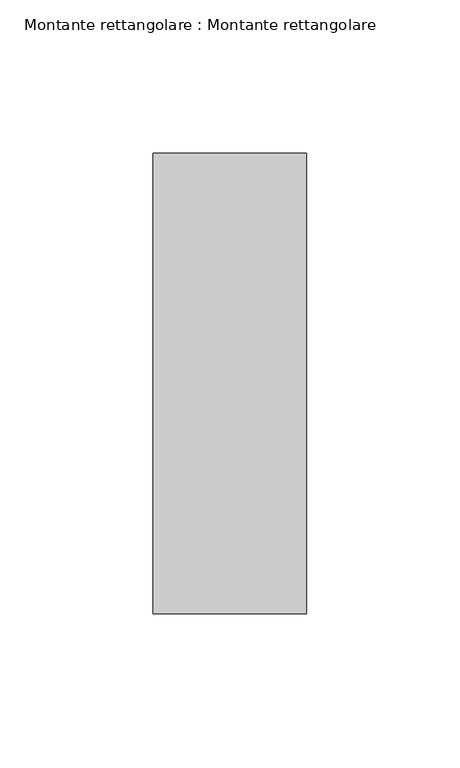
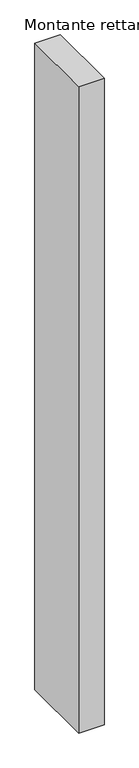
"""IFC4 building model written with IfcOpenShell, lengths in millimetres: member geometry, Montante rettangolare : Montante rettangolare."""

import ifcopenshell
import ifcopenshell.guid

model = None  # the IFC model being written
_history = None  # IfcOwnerHistory: only IFC2X3 demands one
_inside = {}  # id of a spatial element -> (the spatial element, [elements in it])
_under = {}  # id of a project, library or spatial element -> (it, [spatial elements below it])
_declared = {}  # id of a project -> (the project, [libraries it declares])
_typed = {}  # id of a type object -> (the type object, [elements of that type])
_made_of = {}  # id of a material, layer set ... -> (it, [elements and type objects made of it])


def new_model(schema):
    """Start an empty IFC model of exactly this schema.

    Asked for "IFC4X3", IfcOpenShell would pick the latest addendum, in which some entities
    have other attributes; the version numbers below select the first issue.
    IFC2X3 requires an IfcOwnerHistory on every rooted entity: one is made here for all.
    """
    global model, _history
    if schema == "IFC4X3":
        model = ifcopenshell.file(schema_version=(4, 3, 0, 0))
    else:
        model = ifcopenshell.file(schema=schema)
    _inside.clear()
    _under.clear()
    _declared.clear()
    _typed.clear()
    _made_of.clear()
    _history = None
    if model.schema == "IFC2X3":
        org = make("IfcOrganization", Name="unknown")
        user = make(
            "IfcPersonAndOrganization",
            ThePerson=make("IfcPerson", FamilyName="unknown"),
            TheOrganization=org,
        )
        app = make(
            "IfcApplication",
            ApplicationDeveloper=org,
            Version="unknown",
            ApplicationFullName="unknown",
            ApplicationIdentifier="unknown",
        )
        _history = make(
            "IfcOwnerHistory",
            OwningUser=user,
            OwningApplication=app,
            ChangeAction="ADDED",
            CreationDate=0,
        )
    return model


def make(cls, **values):
    """One entity of the class cls with the attributes given. An attribute that is None is left unset."""
    return model.create_entity(
        cls, **{name: value for name, value in values.items() if value is not None}
    )


def rooted(cls, **values):
    """An entity with a GlobalId (a new one), such as an element, a storey or a relation."""
    return make(cls, GlobalId=ifcopenshell.guid.new(), OwnerHistory=_history, **values)


def si_unit(unit_type, name, prefix=None):
    """IfcSIUnit, for example si_unit("LENGTHUNIT", "METRE", prefix="MILLI")."""
    return make("IfcSIUnit", UnitType=unit_type, Prefix=prefix, Name=name)


def assignment(units):
    """IfcUnitAssignment: the units of a project."""
    return None if units is None else make("IfcUnitAssignment", Units=units)


def point(xyz):
    """IfcCartesianPoint."""
    return None if xyz is None else make("IfcCartesianPoint", Coordinates=xyz)


def direction(xyz):
    """IfcDirection."""
    return None if xyz is None else make("IfcDirection", DirectionRatios=xyz)


def frame(location, z_axis=None, x_axis=None):
    """IfcAxis2Placement3D, a coordinate frame: its origin and axes. An axis left out is left unset."""
    return make(
        "IfcAxis2Placement3D",
        Location=point(location),
        Axis=direction(z_axis),
        RefDirection=direction(x_axis),
    )


def origin():
    """The frame at (0, 0, 0) with its axes left unset."""
    return frame((0.0, 0.0, 0.0))


def place(relative_to, where):
    """IfcLocalPlacement: puts the frame where relative to a parent placement (None: the world)."""
    return make(
        "IfcLocalPlacement", PlacementRelTo=relative_to, RelativePlacement=where
    )


def context(
    kind, dimensions, precision=None, world=None, true_north=None, identifier=None
):
    """IfcGeometricRepresentationContext, for example the 3D "Model" context."""
    return make(
        "IfcGeometricRepresentationContext",
        ContextIdentifier=identifier,
        ContextType=kind,
        CoordinateSpaceDimension=dimensions,
        Precision=precision,
        WorldCoordinateSystem=world,
        TrueNorth=true_north,
    )


def project(units=None, contexts=None):
    """IfcProject with its units and contexts."""
    return rooted(
        "IfcProject",
        Name="project",
        RepresentationContexts=contexts,
        UnitsInContext=assignment(units),
    )


def spatial(cls, under=None, at=None, **own):
    """A site, building, storey or space (cls), placed at a placement, below another one or the project."""
    s = rooted(cls, ObjectPlacement=at, **own)
    if under is not None:
        _under.setdefault(under.id(), (under, []))[1].append(s)
    return s


def polyline(points):
    """IfcPolyline through the points."""
    return make("IfcPolyline", Points=[point(p) for p in points])


def outline(outer, holes=None, kind="AREA"):
    """IfcArbitraryClosedProfileDef: a profile drawn as a closed curve; with holes, ...WithVoids."""
    if holes is None:
        return make("IfcArbitraryClosedProfileDef", ProfileType=kind, OuterCurve=outer)
    return make(
        "IfcArbitraryProfileDefWithVoids",
        ProfileType=kind,
        OuterCurve=outer,
        InnerCurves=holes,
    )


def extrude(swept, where, along, depth):
    """IfcExtrudedAreaSolid: the profile swept, set in the frame where, extruded along a direction by depth."""
    return make(
        "IfcExtrudedAreaSolid",
        SweptArea=swept,
        Position=where,
        ExtrudedDirection=direction(along),
        Depth=depth,
    )


def shape(context_of_items, identifier, shape_type, items):
    """IfcShapeRepresentation: the items that make up one representation, for example the "Body"."""
    return make(
        "IfcShapeRepresentation",
        ContextOfItems=context_of_items,
        RepresentationIdentifier=identifier,
        RepresentationType=shape_type,
        Items=items,
    )


def source(mapping_origin, context_of_items, identifier, shape_type, items):
    """IfcRepresentationMap: a shape defined once, which mapped items show again and again."""
    return make(
        "IfcRepresentationMap",
        MappingOrigin=mapping_origin,
        MappedRepresentation=shape(context_of_items, identifier, shape_type, items),
    )


def transform(
    local_origin,
    x_axis=None,
    y_axis=None,
    z_axis=None,
    scale=None,
    scale2=None,
    scale3=None,
    uniform=True,
):
    """IfcCartesianTransformationOperator3D, or its non-uniform kind. x_axis, y_axis, z_axis: its Axis1, 2, 3."""
    if uniform:
        return make(
            "IfcCartesianTransformationOperator3D",
            Axis1=direction(x_axis),
            Axis2=direction(y_axis),
            LocalOrigin=point(local_origin),
            Scale=scale,
            Axis3=direction(z_axis),
        )
    return make(
        "IfcCartesianTransformationOperator3DnonUniform",
        Axis1=direction(x_axis),
        Axis2=direction(y_axis),
        LocalOrigin=point(local_origin),
        Scale=scale,
        Axis3=direction(z_axis),
        Scale2=scale2,
        Scale3=scale3,
    )


def mapped(mapping_source, mapping_target):
    """IfcMappedItem: shows the shape of a source again, moved by a transform."""
    return make(
        "IfcMappedItem", MappingSource=mapping_source, MappingTarget=mapping_target
    )


def made_of(thing, what):
    """Note that an element or type object is made of a material, layer set ...; save() writes the relation."""
    if what is not None:
        _made_of.setdefault(what.id(), (what, []))[1].append(thing)
    return thing


def element(
    cls,
    number,
    at=None,
    inside=None,
    cuts=None,
    type_object=None,
    material=None,
    context=None,
    identifier="Body",
    shape_type=None,
    held_by="IfcProductDefinitionShape",
    body=None,
    shapes=None,
    **own,
):
    """One element of the class cls, such as IfcWall. Its Tag is "e" and its number.

    at: its placement. inside: the storey or other place that contains it. cuts: it is an
    opening in that element (IfcRelVoidsElement). A single representation is given by context,
    identifier, shape_type and body (its items); several are given by shapes. held_by: the class
    of the entity that holds the representations. save() writes the other relations.
    """
    e = rooted(cls, Tag="e%d" % number, ObjectPlacement=at, **own)
    if body is not None:
        shapes = [shape(context, identifier, shape_type, body)]
    if shapes is not None:
        e.Representation = make(held_by, Representations=shapes)
    if inside is not None:
        _inside.setdefault(inside.id(), (inside, []))[1].append(e)
    if cuts is not None:
        rooted(
            "IfcRelVoidsElement", RelatingBuildingElement=cuts, RelatedOpeningElement=e
        )
    if type_object is not None:
        _typed.setdefault(type_object.id(), (type_object, []))[1].append(e)
    return made_of(e, material)


def aggregate(whole, parts):
    """IfcRelAggregates: a whole, such as a stair, and the parts it consists of."""
    return rooted("IfcRelAggregates", RelatingObject=whole, RelatedObjects=parts)


def save(model, path):
    """Write the relations noted so far, then the file.

    IfcRelAggregates (storeys below a building ...), IfcRelContainedInSpatialStructure (elements
    in a storey), IfcRelDefinesByType, IfcRelAssociatesMaterial and IfcRelDeclares: one each for
    every whole, place, type object, material and project.
    """
    for whole, parts in _under.values():
        aggregate(whole, parts)
    for where, things in _inside.values():
        rooted(
            "IfcRelContainedInSpatialStructure",
            RelatedElements=things,
            RelatingStructure=where,
        )
    for kind, things in _typed.values():
        rooted("IfcRelDefinesByType", RelatedObjects=things, RelatingType=kind)
    for what, things in _made_of.values():
        rooted("IfcRelAssociatesMaterial", RelatedObjects=things, RelatingMaterial=what)
    for by, libraries in _declared.values():
        rooted("IfcRelDeclares", RelatingContext=by, RelatedDefinitions=libraries)
    model.write(path)


def montante_rettangolare_montante_rettangolare_62c69b4d(model_context):
    return source(origin(), model_context, "Body", "SweptSolid", [
        extrude(outline(polyline([(0.0, 75.0), (0.0, -75.0), (-50.0, -75.0), (-50.0, 75.0), (0.0, 75.0)])), frame((0.0, 0.0, -1350.0), z_axis=(0.0, 0.0, 1.0), x_axis=(1.0, 0.0, 0.0)), (0.0, 0.0, 1.0), 1350.0),
    ])


if __name__ == "__main__":
    model = new_model("IFC4")
    model_context = context("Model", 3, world=origin())
    ifc_project = project(units=[si_unit("LENGTHUNIT", "METRE", prefix="MILLI")], contexts=[model_context])
    site = spatial("IfcSite", under=ifc_project)
    building = spatial("IfcBuilding", under=site)
    placement = place(None, origin())
    montante_rettangolare_montante_rettangolare_shape = montante_rettangolare_montante_rettangolare_62c69b4d(model_context)
    element("IfcMember", 1, ObjectType="Montante rettangolare : Montante rettangolare", at=placement, inside=building, context=model_context, shape_type="MappedRepresentation", body=[
        mapped(montante_rettangolare_montante_rettangolare_shape, transform((0.0, 0.0, 0.0), x_axis=(1.0, 0.0, 0.0), y_axis=(0.0, 1.0, 0.0), z_axis=(0.0, 0.0, 1.0))),
    ])
    save(model, "model.ifc")
